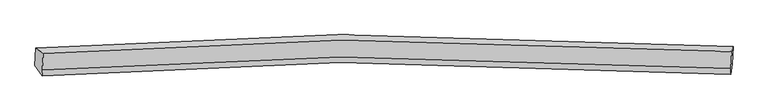
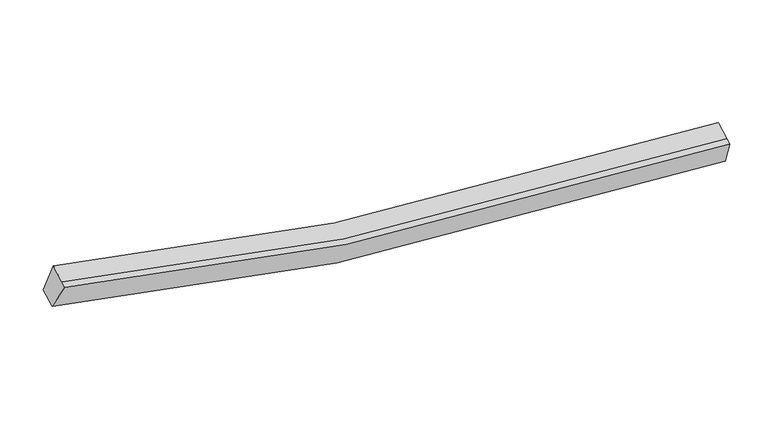
"""IFC4 building model written with IfcOpenShell, lengths in millimetres: proxy geometry."""

from ifc_helpers import new_model, si_unit, frame, origin, place, context, project, spatial, source, transform, mapped, element, save
from ifc_brep_helpers import plane_surface, spline_curve, spline_surface, advanced_brep


def generic_models_0b31a74e(model_context):
    return source(origin(), model_context, "Body", "AdvancedBrep", [
        advanced_brep(
        [(-8064.3665105, -1859.1400787, 4164.1294969), (-7875.4785315, -1990.075855, 4841.5260331), (9625.295705, -1945.7341172, 2669.2407133), (9657.1342556, -1815.4099147, 1966.6093573), (-7897.0616167, -2419.9526529, 4663.1590718), (9603.7126198, -2375.6109151, 2490.8737519), (-7904.4735063, -2567.5774859, 4601.9057243), (9596.3007303, -2523.2357481, 2429.6204045), (-8086.5392317, -2300.7608349, 3980.8896646), (9634.9615343, -2257.0306709, 1783.3695251)],
        [
            (0, 1),
            (1, 2, spline_curve(3, [(-7875.4785315, -1990.075855, 4841.5260331), (-5373.133259023, -1793.447479184, 4097.663488614), (-2845.072826195, -1680.289672598, 3540.807820475), (2972.238464183, -1612.664348135, 2698.319721069), (6277.769443805, -1711.041575891, 2531.080281874), (9625.295705, -1945.7341172, 2669.2407133)], [4, 2, 4], [0.0, 25.664810732952517, 58.46253433028611])),
            (2, 3),
            (3, 0, spline_curve(3, [(9657.1342556, -1815.4099147, 1966.6093573), (6267.446291136, -1578.045225871, 1827.110589618), (2920.250398954, -1478.430777157, 1996.4098535), (-2970.443812836, -1546.408513777, 2848.626909812), (-5530.41484224, -1660.599683894, 3411.834359656), (-8064.3665105, -1859.1400787, 4164.1294969)], [4, 2, 4], [0.0, 32.797723597333594, 58.46253433028611])),
            (1, 4),
            (4, 5, spline_curve(3, [(-7897.0616167, -2419.9526529, 4663.1590718), (-5394.716343988, -2223.324276581, 3919.296527228), (-2866.655911692, -2110.166470098, 3362.440859771), (2950.655379364, -2042.541146775, 2519.952759008), (6256.186358106, -2140.918373717, 2352.713320674), (9603.7126198, -2375.6109151, 2490.8737519)], [4, 2, 4], [0.0, 25.504333518021184, 58.09697914327256])),
            (5, 2),
            (4, 6),
            (6, 7, spline_curve(3, [(-7904.4735063, -2567.5774859, 4601.9057243), (-5402.128233588, -2370.949109581, 3858.043179728), (-2874.067801192, -2257.791303098, 3301.187512271), (2943.243489864, -2190.165979775, 2458.699411508), (6248.774468606, -2288.543206717, 2291.459973274), (9596.3007303, -2523.2357481, 2429.6204045)], [4, 2, 4], [0.0, 25.50433351802119, 58.09697914327258])),
            (7, 5),
            (6, 8),
            (8, 9, spline_curve(3, [(-8086.5392317, -2300.7608349, 3980.8896646), (-5552.58756344, -2102.220440094, 3228.594527356), (-2992.616534136, -1988.029269977, 2665.387077512), (2898.077677654, -1920.051533357, 1813.1700212), (6245.273569836, -2019.665982071, 1643.870757418), (9634.9615343, -2257.0306709, 1783.3695251)], [4, 2, 4], [0.0, 25.664810732952542, 58.46253433028616])),
            (9, 7),
            (8, 0),
            (3, 9),
        ],
        [
            spline_surface(3, 3, [[(-8064.3665105, -1859.1400787, 4164.1294969), (-5530.414842464, -1660.599684082, 3411.834359617), (-2970.443812779, -1546.408514061, 2848.62690978), (2920.25039888, -1478.430776795, 1996.409853541), (6267.446291282, -1578.04522548, 1827.110590151), (9657.1342556, -1815.4099147, 1966.6093573)], [(-8001.403850842, -1902.78533745, 4389.928342309), (-5477.987647885, -1704.882282355, 3640.444069271), (-2928.653483893, -1591.035566788, 3079.353880129), (2937.579753977, -1523.175300755, 2230.379809222), (6270.887342129, -1622.377342342, 2061.767153995), (9646.521405429, -1858.851315518, 2200.81980928)], [(-7938.441191158, -1946.43059625, 4615.727187691), (-5425.56045328, -1749.164880678, 3869.053778898), (-2886.863155043, -1635.662619478, 3310.080850493), (2954.909109039, -1567.919824677, 2464.349764919), (6274.328392888, -1666.709459249, 2296.423717898), (9635.908555171, -1902.292716382, 2435.03026132)], [(-7875.4785315, -1990.075855, 4841.5260331), (-5373.133258701, -1793.447478951, 4097.663488551), (-2845.072826157, -1680.289672205, 3540.807820842), (2972.238464135, -1612.664348637, 2698.3197206), (6277.769443735, -1711.041576111, 2531.080281741), (9625.295705, -1945.7341172, 2669.2407133)]], [4, 4], [4, 2, 4], [0.0, 2.3468508000743524], [0.0, 25.664810732952517, 58.46253433028611]),
            spline_surface(3, 3, [[(-7875.4785315, -1990.075855, 4841.5260331), (-5373.133258701, -1793.447478951, 4097.663488551), (-2845.072826157, -1680.289672205, 3540.807820842), (2972.238464135, -1612.664348637, 2698.3197206), (6277.769443735, -1711.041576111, 2531.080281741), (9625.295705, -1945.7341172, 2669.2407133)], [(-7882.67289324, -2133.368120982, 4782.070379329), (-5380.327620441, -1936.739744933, 4038.207834781), (-2852.267187897, -1823.581938187, 3481.352167071), (2965.044102395, -1755.95661462, 2638.86406683), (6270.575081995, -1854.333842093, 2471.62462797), (9618.10134326, -2089.026383182, 2609.785059529)], [(-7889.86725496, -2276.660386918, 4722.614725571), (-5387.521982161, -2080.032010869, 3978.752181022), (-2859.461549617, -1966.874204223, 3421.896513313), (2957.849740675, -1899.248880655, 2579.408413071), (6263.380720275, -1997.626108029, 2412.168974111), (9610.90698154, -2232.318649118, 2550.329405671)], [(-7897.0616167, -2419.9526529, 4663.1590718), (-5394.716343901, -2223.324276851, 3919.296527251), (-2866.655911357, -2110.166470205, 3362.440859542), (2950.655378935, -2042.541146637, 2519.9527593), (6256.186358535, -2140.918374011, 2352.713320341), (9603.7126198, -2375.6109151, 2490.8737519)]], [4, 4], [4, 2, 4], [0.0, 1.5285850436308532], [0.0, 25.504333518021184, 58.09697914327256]),
            spline_surface(3, 3, [[(-7897.0616167, -2419.9526529, 4663.1590718), (-5394.716343901, -2223.324276851, 3919.296527251), (-2866.655911357, -2110.166470205, 3362.440859542), (2950.655378935, -2042.541146637, 2519.9527593), (6256.186358535, -2140.918374011, 2352.713320341), (9603.7126198, -2375.6109151, 2490.8737519)], [(-7899.532246554, -2469.160930565, 4642.741289309), (-5397.186973755, -2272.532554515, 3898.87874476), (-2869.126541211, -2159.37474787, 3342.023077051), (2948.184749082, -2091.749424302, 2499.534976809), (6253.715728682, -2190.126651676, 2332.29553785), (9601.241989946, -2424.819192765, 2470.455969409)], [(-7902.002876446, -2518.369208235, 4622.323506791), (-5399.657603647, -2321.740832186, 3878.460962242), (-2871.597171003, -2208.58302554, 3321.605294533), (2945.714119289, -2140.957701973, 2479.117194292), (6251.245098889, -2239.334929347, 2311.877755432), (9598.771360154, -2474.027470435, 2450.038186991)], [(-7904.4735063, -2567.5774859, 4601.9057243), (-5402.128233501, -2370.949109851, 3858.043179751), (-2874.067800857, -2257.791303205, 3301.187512042), (2943.243489435, -2190.165979637, 2458.6994118), (6248.774469035, -2288.543207011, 2291.459972941), (9596.3007303, -2523.2357481, 2429.6204045)]], [4, 4], [4, 2, 4], [0.0, 0.5249343832021006], [0.0, 25.50433351802119, 58.09697914327258]),
            spline_surface(3, 3, [[(-7904.4735063, -2567.5774859, 4601.9057243), (-5402.128233501, -2370.949109851, 3858.043179751), (-2874.067800857, -2257.791303205, 3301.187512042), (2943.243489435, -2190.165979637, 2458.6994118), (6248.774469035, -2288.543207011, 2291.459972941), (9596.3007303, -2523.2357481, 2429.6204045)], [(-7965.16208145, -2478.638602242, 4394.900371074), (-5452.281343572, -2281.37288667, 3648.22696228), (-2913.584045235, -2167.87062557, 3089.254033876), (2928.188218846, -2100.12783077, 2243.522948302), (6247.607502696, -2198.917465242, 2075.59690128), (9609.187664978, -2434.500722374, 2214.203444702)], [(-8025.85065655, -2389.699718558, 4187.895017826), (-5502.434453593, -2191.796663462, 3438.410744788), (-2953.100289701, -2077.949947896, 2877.320555646), (2913.132948169, -2010.089681863, 2028.34648474), (6246.440536321, -2109.29172345, 1859.733829612), (9622.074599622, -2345.765696626, 1998.786484898)], [(-8086.5392317, -2300.7608349, 3980.8896646), (-5552.587563664, -2102.220440282, 3228.594527317), (-2992.616534079, -1988.029270261, 2665.38707748), (2898.07767758, -1920.051532995, 1813.170021241), (6245.273569982, -2019.66598168, 1643.870757951), (9634.9615343, -2257.0306709, 1783.3695251)]], [4, 4], [4, 2, 4], [0.0, 2.296573786534458], [0.0, 25.664810732952542, 58.46253433028616]),
            spline_surface(3, 3, [[(-8086.5392317, -2300.7608349, 3980.8896646), (-5552.587563664, -2102.220440282, 3228.594527317), (-2992.616534079, -1988.029270261, 2665.38707748), (2898.07767758, -1920.051532995, 1813.170021241), (6245.273569982, -2019.66598168, 1643.870757951), (9634.9615343, -2257.0306709, 1783.3695251)], [(-8079.148324614, -2153.553916161, 4041.969608679), (-5545.196656578, -1955.013521543, 3289.674471396), (-2985.225626992, -1840.822351522, 2726.467021559), (2905.468584667, -1772.844614256, 1874.24996532), (6252.664477068, -1872.459062941, 1704.950702031), (9642.352441386, -2109.823752161, 1844.449469179)], [(-8071.757417586, -2006.346997439, 4103.049552821), (-5537.80574955, -1807.806602821, 3350.754415538), (-2977.834719865, -1693.6154328, 2787.5469657), (2912.859491794, -1625.637695534, 1935.329909461), (6260.055384195, -1725.252144219, 1766.030646072), (9649.743348514, -1962.616833439, 1905.529413221)], [(-8064.3665105, -1859.1400787, 4164.1294969), (-5530.414842464, -1660.599684082, 3411.834359617), (-2970.443812779, -1546.408514061, 2848.62690978), (2920.25039888, -1478.430776795, 1996.409853541), (6267.446291282, -1578.04522548, 1827.110590151), (9657.1342556, -1815.4099147, 1966.6093573)]], [4, 4], [4, 2, 4], [0.0, 1.5703450061395163], [0.0, 25.82528819215265, 58.82809007372586]),
            plane_surface(frame((9628.4230563, -2135.3526127, 2212.21), z_axis=(0.9973984842322908, -0.06391110544498745, 0.03334117952215523), x_axis=(0.055229720049995004, 0.3802929673972996, -0.9232155419897109))),
            plane_surface(frame((-7982.714445, -2179.3885636, 4397.1127297), z_axis=(-0.9644714743780667, -0.05847529191192834, 0.2576342666393835), x_axis=(-0.04632430975560834, -0.9226552062113704, -0.38283342170808443))),
        ],
        [
            (0, [[1, 2, 3, 4]]),
            (1, [[5, 6, 7, -2]]),
            (2, [[8, 9, 10, -6]]),
            (3, [[11, 12, 13, -9]]),
            (4, [[14, -4, 15, -12]]),
            (5, [[-13, -15, -3, -7, -10]]),
            (6, [[-14, -11, -8, -5, -1]]),
        ],
    ),
    ])


if __name__ == "__main__":
    model = new_model("IFC4")
    model_context = context("Model", 3, world=origin())
    ifc_project = project(units=[si_unit("LENGTHUNIT", "METRE", prefix="MILLI")], contexts=[model_context])
    site = spatial("IfcSite", under=ifc_project)
    building = spatial("IfcBuilding", under=site)
    placement = place(None, origin())
    generic_models_shape = generic_models_0b31a74e(model_context)
    element("IfcBuildingElementProxy", 1, Name="Generic Models", at=placement, inside=building, context=model_context, shape_type="MappedRepresentation", body=[
        mapped(generic_models_shape, transform((0.0, 0.0, 0.0), x_axis=(1.0, 0.0, 0.0), y_axis=(0.0, 1.0, 0.0), z_axis=(0.0, 0.0, 1.0))),
    ])
    save(model, "model.ifc")
